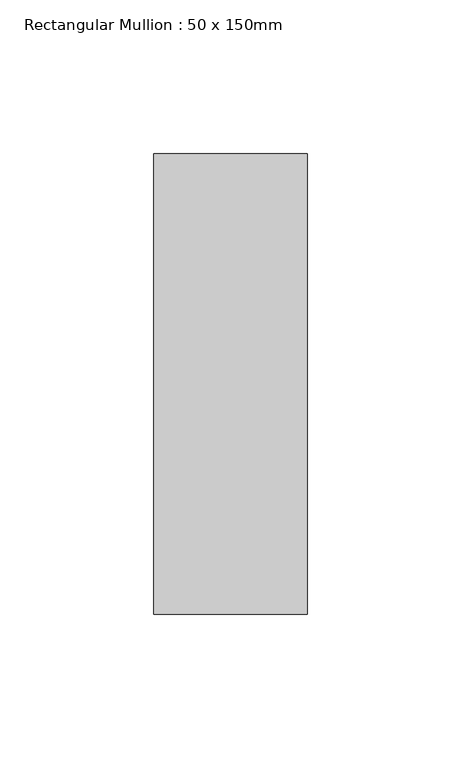
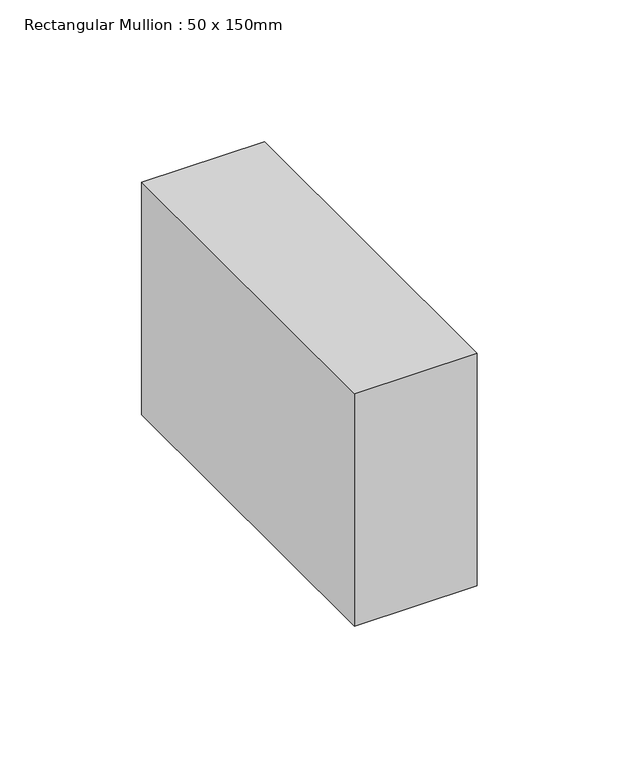
"""IFC4 building model written with IfcOpenShell, lengths in millimetres: member geometry, Rectangular Mullion : 50 x 150mm."""

from ifc_helpers import new_model, si_unit, frame, origin, place, context, project, spatial, polyline, outline, extrude, source, transform, mapped, element, save


def rectangular_mullion_50_x_150mm_550cda47(model_context):
    return source(origin(), model_context, "Body", "SweptSolid", [
        extrude(outline(polyline([(0.0, 75.0), (0.0, -75.0), (-50.0, -75.0), (-50.0, 75.0), (0.0, 75.0)])), frame((0.0, 0.0, -100.0), z_axis=(0.0, 0.0, 1.0), x_axis=(1.0, 0.0, 0.0)), (0.0, 0.0, 1.0), 100.0),
    ])


if __name__ == "__main__":
    model = new_model("IFC4")
    model_context = context("Model", 3, world=origin())
    ifc_project = project(units=[si_unit("LENGTHUNIT", "METRE", prefix="MILLI")], contexts=[model_context])
    site = spatial("IfcSite", under=ifc_project)
    building = spatial("IfcBuilding", under=site)
    placement = place(None, origin())
    rectangular_mullion_50_x_150mm_shape = rectangular_mullion_50_x_150mm_550cda47(model_context)
    element("IfcMember", 1, ObjectType="Rectangular Mullion : 50 x 150mm", at=placement, inside=building, context=model_context, shape_type="MappedRepresentation", body=[
        mapped(rectangular_mullion_50_x_150mm_shape, transform((0.0, 0.0, 0.0), x_axis=(1.0, 0.0, 0.0), y_axis=(0.0, 1.0, 0.0), z_axis=(0.0, 0.0, 1.0))),
    ])
    save(model, "model.ifc")
